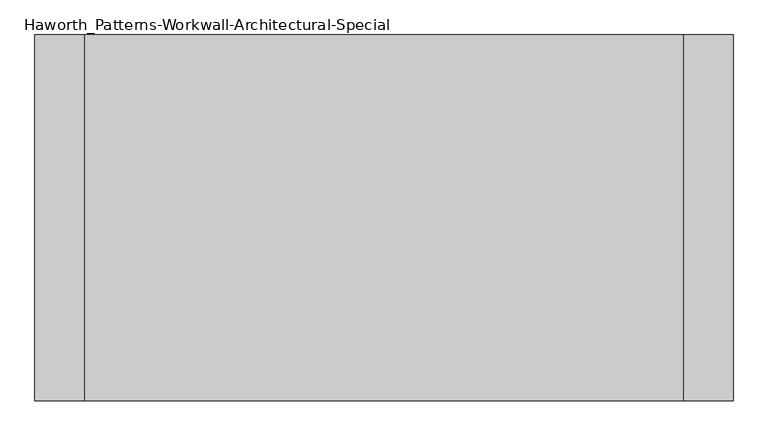
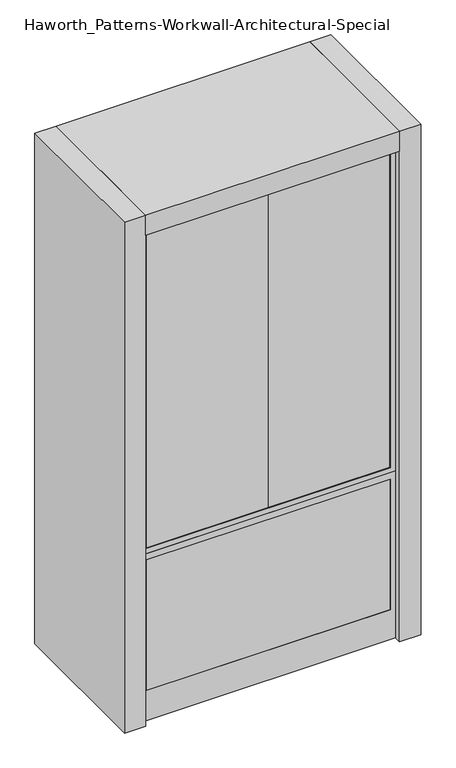
"""IFC4 building model written with IfcOpenShell, lengths in millimetres: furniture geometry, Haworth_Patterns-Workwall-Architectural-Special."""

from ifc_helpers import new_model, si_unit, frame, origin, origin_with_axes, place, context, project, spatial, polyline, outline, extrude, source, transform, mapped, element, save


def haworth_patterns_workwall_architectural_special_d705fa3b(model_context):
    return source(origin(), model_context, "Body", "SweptSolid", [
        extrude(outline(polyline([(-609.6, -333.375), (-609.6, -352.425), (-1066.8, -352.425), (-1066.8, -333.375), (-609.6, -333.375)])), frame((0.0, 0.0, 635.0), z_axis=(0.0, 0.0, 1.0), x_axis=(1.0, 0.0, 0.0)), (0.0, 0.0, 1.0), 1231.9),
        extrude(outline(polyline([(-152.4, -333.375), (-152.4, -352.425), (-609.6, -352.425), (-609.6, -333.375), (-152.4, -333.375)])), frame((0.0, 0.0, 635.0), z_axis=(0.0, 0.0, 1.0), x_axis=(1.0, 0.0, 0.0)), (0.0, 0.0, 1.0), 1231.9),
        extrude(outline(polyline([(1866.9, -152.4), (1866.9, -1066.8), (635.0, -1066.8), (635.0, -152.4), (1866.9, -152.4)]), holes=[polyline([(1847.85, -171.45), (654.05, -171.45), (654.05, -1047.75), (1847.85, -1047.75), (1847.85, -171.45)])]), frame((0.0, -355.6, 0.0), z_axis=(0.0, 1.0, 0.0), x_axis=(0.0, 0.0, 1.0)), (0.0, 0.0, 1.0), 25.4),
        extrude(outline(polyline([(-171.45, -330.2), (-171.45, -355.6), (-1047.75, -355.6), (-1047.75, -330.2), (-171.45, -330.2)])), frame((0.0, 0.0, 114.3), z_axis=(0.0, 0.0, 1.0), x_axis=(1.0, 0.0, 0.0)), (0.0, 0.0, 1.0), 495.3),
        extrude(outline(polyline([(635.0, -152.4), (635.0, -1066.8), (0.0, -1066.8), (0.0, -152.4), (635.0, -152.4)]), holes=[polyline([(609.6, -171.45), (114.3, -171.45), (114.3, -1047.75), (609.6, -1047.75), (609.6, -171.45)])]), frame((0.0, -355.6, 0.0), z_axis=(0.0, 1.0, 0.0), x_axis=(0.0, 0.0, 1.0)), (0.0, 0.0, 1.0), 25.4),
        extrude(outline(polyline([(-152.4, 177.8), (-152.4, -381.0), (-1066.8, -381.0), (-1066.8, 177.8), (-152.4, 177.8)])), frame((0.0, 0.0, 1866.9), z_axis=(0.0, 0.0, 1.0), x_axis=(1.0, 0.0, 0.0)), (0.0, 0.0, 1.0), 76.2),
        extrude(outline(polyline([(-76.2, -381.0), (-152.4, -381.0), (-152.4, 177.8), (-76.2, 177.8), (-76.2, -381.0)])), origin_with_axes(), (0.0, 0.0, 1.0), 1943.1),
        extrude(outline(polyline([(-1066.8, -381.0), (-1143.0, -381.0), (-1143.0, 177.8), (-1066.8, 177.8), (-1066.8, -381.0)])), origin_with_axes(), (0.0, 0.0, 1.0), 1943.1),
    ])


if __name__ == "__main__":
    model = new_model("IFC4")
    model_context = context("Model", 3, world=origin())
    ifc_project = project(units=[si_unit("LENGTHUNIT", "METRE", prefix="MILLI")], contexts=[model_context])
    site = spatial("IfcSite", under=ifc_project)
    building = spatial("IfcBuilding", under=site)
    placement = place(None, origin())
    haworth_patterns_workwall_architectural_special_shape = haworth_patterns_workwall_architectural_special_d705fa3b(model_context)
    element("IfcFurniture", 1, ObjectType="Haworth_Patterns-Workwall-Architectural-Special", at=placement, inside=building, context=model_context, shape_type="MappedRepresentation", body=[
        mapped(haworth_patterns_workwall_architectural_special_shape, transform((0.0, 0.0, 0.0), x_axis=(1.0, 0.0, 0.0), y_axis=(0.0, 1.0, 0.0), z_axis=(0.0, 0.0, 1.0))),
    ])
    save(model, "model.ifc")
